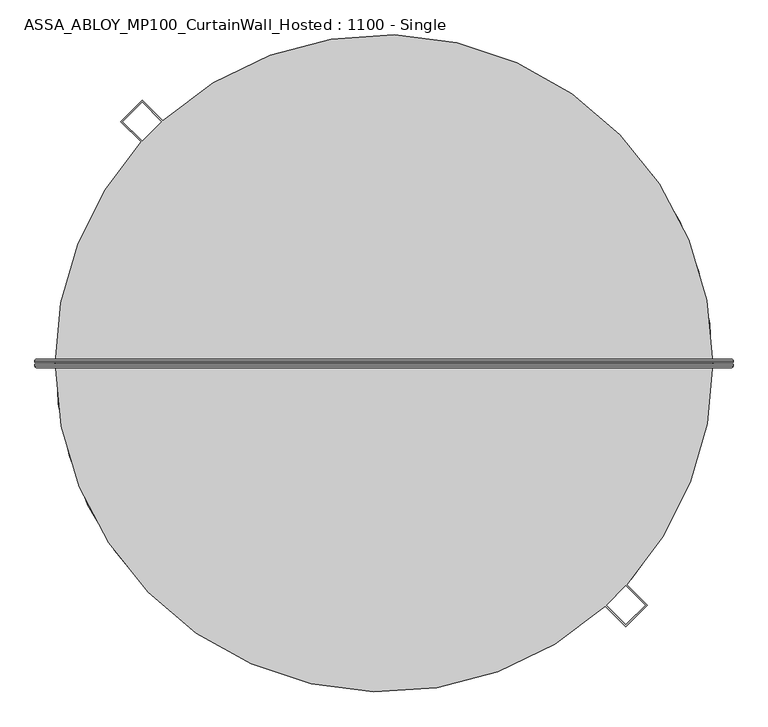
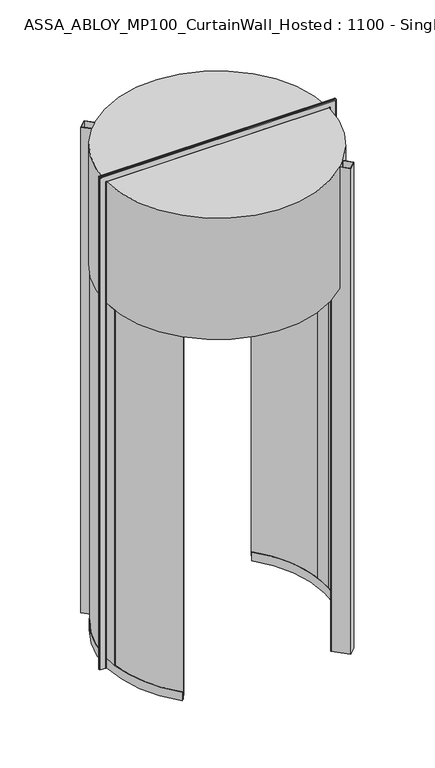
"""IFC4 building model written with IfcOpenShell, lengths in millimetres: plate geometry, ASSA_ABLOY_MP100_CurtainWall_Hosted : 1100 - Single."""

from ifc_helpers import new_model, si_unit, point, frame, origin, origin_2d, place, context, project, spatial, polyline, circle_curve, ellipse_curve, trimmed, segment, composite_curve, outline, extrude, source, transform, mapped, element, save
from ifc_brep_helpers import plane_surface, cylinder_surface, revolved_surface, advanced_brep


def assa_abloy_mp100_curtainwall_hosted_1100_single_5e79cee8(model_context):
    return source(origin(), model_context, "Body", "SolidModel", [
        advanced_brep(
        [(917.5980762, 11.0, 0.0), (921.5980762, 7.0, 0.0), (921.5980762, 3.0, 0.0), (919.5980762, 3.0, 0.0), (919.5980762, 7.0, 0.0), (917.5980762, 9.0, 0.0), (875.5980762, 9.0, 0.0), (873.5980762, 7.0, 0.0), (873.5980762, 3.0, 0.0), (871.5980762, 3.0, 0.0), (871.5980762, 7.0, 0.0), (875.5980762, 11.0, 0.0), (917.5980762, 11.0, 4050.9980762), (921.5980762, 7.0, 4054.9980762), (921.5980762, 3.0, 4054.9980762), (871.5980762, 7.0, 4004.9980762), (875.5980762, 11.0, 4008.9980762), (-875.5980762, 11.0, 4008.9980762), (-875.5980762, 11.0, 0.0), (-917.5980762, 11.0, 0.0), (-917.5980762, 11.0, 4050.9980762), (-921.5980762, 7.0, 4054.9980762), (-921.5980762, 3.0, 4054.9980762), (-871.5980762, 7.0, 4004.9980762), (-871.5980762, 7.0, 0.0), (-871.5980762, 3.0, 0.0), (-873.5980762, 3.0, 0.0), (-873.5980762, 7.0, 0.0), (-875.5980762, 9.0, 0.0), (-917.5980762, 9.0, 0.0), (-919.5980762, 7.0, 0.0), (-919.5980762, 3.0, 0.0), (-921.5980762, 3.0, 0.0), (-921.5980762, 7.0, 0.0), (-919.5980762, 3.0, 4052.9980762), (919.5980762, 3.0, 4052.9980762), (919.5980762, 7.0, 4052.9980762), (917.5980762, 9.0, 4050.9980762), (-917.5980762, 9.0, 4050.9980762), (-875.5980762, 9.0, 4008.9980762), (875.5980762, 9.0, 4008.9980762), (873.5980762, 7.0, 4006.9980762), (873.5980762, 3.0, 4006.9980762), (-873.5980762, 3.0, 4006.9980762), (-871.5980762, 3.0, 4004.9980762), (871.5980762, 3.0, 4004.9980762), (-919.5980762, 7.0, 4052.9980762), (-873.5980762, 7.0, 4006.9980762)],
        [
            (0, 1, circle_curve(frame((917.5980762, 7.0, 0.0), z_axis=(0.0, 0.0, -1.0), x_axis=(-1.0, 0.0, 0.0)), 4.0)),
            (1, 2),
            (2, 3),
            (3, 4),
            (4, 5, circle_curve(frame((917.5980762, 7.0, 0.0), z_axis=(0.0, 0.0, 1.0), x_axis=(-1.0, 0.0, 0.0)), 2.0)),
            (5, 6),
            (6, 7, circle_curve(frame((875.5980762, 7.0, 0.0), z_axis=(0.0, 0.0, 1.0), x_axis=(-1.0, 0.0, 0.0)), 2.0)),
            (7, 8),
            (8, 9),
            (9, 10),
            (10, 11, circle_curve(frame((875.5980762, 7.0, 0.0), z_axis=(0.0, 0.0, -1.0), x_axis=(-1.0, 0.0, 0.0)), 4.0)),
            (11, 0),
            (0, 12),
            (12, 13, ellipse_curve(frame((917.5980762, 7.0, 4050.9980762), z_axis=(0.7071067811865475, 0.0, -0.7071067811865475), x_axis=(-0.7071067811865474, 0.0, -0.7071067811865476)), 5.6568542, 4.0)),
            (13, 1),
            (13, 14),
            (14, 2),
            (10, 15),
            (15, 16, ellipse_curve(frame((875.5980762, 7.0, 4008.9980762), z_axis=(0.7071067811865475, 0.0, -0.7071067811865475), x_axis=(-0.7071067811865474, 0.0, -0.7071067811865476)), 5.6568542, 4.0)),
            (16, 11),
            (16, 17),
            (17, 18),
            (18, 19),
            (19, 20),
            (20, 12),
            (20, 21, ellipse_curve(frame((-917.5980762, 7.0, 4050.9980762), z_axis=(0.7071067811865475, 0.0, 0.7071067811865475), x_axis=(0.7071067811865476, 0.0, -0.7071067811865474)), 5.6568542, 4.0)),
            (21, 13),
            (21, 22),
            (22, 14),
            (15, 23),
            (23, 17, ellipse_curve(frame((-875.5980762, 7.0, 4008.9980762), z_axis=(0.7071067811865475, 0.0, 0.7071067811865475), x_axis=(0.7071067811865476, 0.0, -0.7071067811865474)), 5.6568542, 4.0)),
            (18, 24, circle_curve(frame((-875.5980762, 7.0, 0.0), z_axis=(0.0, 0.0, -1.0), x_axis=(1.0, 0.0, 0.0)), 4.0)),
            (24, 25),
            (25, 26),
            (26, 27),
            (27, 28, circle_curve(frame((-875.5980762, 7.0, 0.0), z_axis=(0.0, 0.0, 1.0), x_axis=(1.0, 0.0, 0.0)), 2.0)),
            (28, 29),
            (29, 30, circle_curve(frame((-917.5980762, 7.0, 0.0), z_axis=(0.0, 0.0, 1.0), x_axis=(1.0, 0.0, 0.0)), 2.0)),
            (30, 31),
            (31, 32),
            (32, 33),
            (33, 19, circle_curve(frame((-917.5980762, 7.0, 0.0), z_axis=(0.0, 0.0, -1.0), x_axis=(1.0, 0.0, 0.0)), 4.0)),
            (33, 21),
            (32, 22),
            (23, 24),
            (31, 34),
            (34, 35),
            (35, 3),
            (35, 36),
            (36, 4),
            (36, 37, ellipse_curve(frame((917.5980762, 7.0, 4050.9980762), z_axis=(-0.7071067811865475, 0.0, 0.7071067811865475), x_axis=(0.7071067811865474, 0.0, 0.7071067811865476)), 2.8284271, 2.0)),
            (37, 5),
            (37, 38),
            (38, 29),
            (28, 39),
            (39, 40),
            (40, 6),
            (40, 41, ellipse_curve(frame((875.5980762, 7.0, 4008.9980762), z_axis=(-0.7071067811865475, 0.0, 0.7071067811865475), x_axis=(0.7071067811865474, 0.0, 0.7071067811865476)), 2.8284271, 2.0)),
            (41, 7),
            (41, 42),
            (42, 8),
            (42, 43),
            (43, 26),
            (25, 44),
            (44, 45),
            (45, 9),
            (45, 15),
            (34, 46),
            (46, 36),
            (46, 38, ellipse_curve(frame((-917.5980762, 7.0, 4050.9980762), z_axis=(-0.7071067811865475, 0.0, -0.7071067811865475), x_axis=(-0.7071067811865476, 0.0, 0.7071067811865474)), 2.8284271, 2.0)),
            (39, 47, ellipse_curve(frame((-875.5980762, 7.0, 4008.9980762), z_axis=(-0.7071067811865475, 0.0, -0.7071067811865475), x_axis=(-0.7071067811865476, 0.0, 0.7071067811865474)), 2.8284271, 2.0)),
            (47, 41),
            (47, 43),
            (44, 23),
            (30, 46),
            (27, 47),
        ],
        [
            plane_surface(frame((871.6, 0.0, 0.0), z_axis=(0.0, 0.0, -1.0), x_axis=(0.0, -1.0, 0.0))),
            cylinder_surface(frame((917.5980762, 7.0, 0.0), z_axis=(0.0, 0.0, -1.0), x_axis=(-1.0, 0.0, 0.0)), 4.0),
            plane_surface(frame((921.5980762, 7.0, 0.0), z_axis=(1.0, 0.0, 0.0), x_axis=(0.0, 0.0, 1.0))),
            cylinder_surface(frame((875.5980762, 7.0, 0.0), z_axis=(0.0, 0.0, -1.0), x_axis=(-1.0, 0.0, 0.0)), 4.0),
            plane_surface(frame((875.5980762, 11.0, 0.0), z_axis=(0.0, 1.0, 0.0), x_axis=(0.0, 0.0, 1.0))),
            cylinder_surface(frame((871.6, 7.0, 4050.9980762), z_axis=(1.0, 0.0, 0.0), x_axis=(0.0, 0.0, -1.0)), 4.0),
            plane_surface(frame((921.5980762, 7.0, 4054.9980762), z_axis=(0.0, 0.0, 1.0), x_axis=(-1.0, 0.0, 0.0))),
            cylinder_surface(frame((871.6, 7.0, 4008.9980762), z_axis=(1.0, 0.0, 0.0), x_axis=(0.0, 0.0, -1.0)), 4.0),
            plane_surface(frame((-871.6, 0.0, 0.0), z_axis=(0.0, 0.0, -1.0), x_axis=(0.0, -1.0, 0.0))),
            cylinder_surface(frame((-917.5980762, 7.0, 4005.0), z_axis=(0.0, 0.0, 1.0), x_axis=(1.0, 0.0, 0.0)), 4.0),
            plane_surface(frame((-921.5980762, 7.0, 4054.9980762), z_axis=(-1.0, 0.0, 0.0), x_axis=(0.0, 0.0, -1.0))),
            cylinder_surface(frame((-875.5980762, 7.0, 4005.0), z_axis=(0.0, 0.0, 1.0), x_axis=(1.0, 0.0, 0.0)), 4.0),
            plane_surface(frame((921.5980762, 3.0, 0.0), z_axis=(0.0, -1.0, 0.0), x_axis=(0.0, 0.0, 1.0))),
            plane_surface(frame((919.5980762, 3.0, 0.0), z_axis=(-1.0, 0.0, 0.0), x_axis=(0.0, 0.0, 1.0))),
            revolved_surface(polyline([(915.5980762, 7.0, 4052.9980762), (915.5980762, 7.0, 0.0)]), (917.5980762, 7.0, 0.0), (0.0, 0.0, 1.0)),
            plane_surface(frame((917.5980762, 9.0, 0.0), z_axis=(0.0, -1.0, 0.0), x_axis=(0.0, 0.0, 1.0))),
            revolved_surface(polyline([(873.5980762, 7.0, 4010.998076182502), (873.5980762, 7.0, 0.0)]), (875.5980762, 7.0, 0.0), (0.0, 0.0, 1.0)),
            plane_surface(frame((873.5980762, 7.0, 0.0), z_axis=(1.0, 0.0, 0.0), x_axis=(0.0, 0.0, 1.0))),
            plane_surface(frame((873.5980762, 3.0, 0.0), z_axis=(0.0, -1.0, 0.0), x_axis=(0.0, 0.0, 1.0))),
            plane_surface(frame((871.5980762, 3.0, 0.0), z_axis=(-1.0, 0.0, 0.0), x_axis=(0.0, 0.0, 1.0))),
            plane_surface(frame((919.5980762, 3.0, 4052.9980762), z_axis=(0.0, 0.0, -1.0), x_axis=(-1.0, 0.0, 0.0))),
            revolved_surface(polyline([(-919.5980762, 7.0, 4048.9980762), (919.5980762, 7.0, 4048.9980762)]), (871.6, 7.0, 4050.9980762), (-1.0, 0.0, 0.0)),
            revolved_surface(polyline([(-877.5980761825018, 7.0, 4006.9980762), (877.5980761825018, 7.0, 4006.9980762)]), (871.6, 7.0, 4008.9980762), (-1.0, 0.0, 0.0)),
            plane_surface(frame((873.5980762, 7.0, 4006.9980762), z_axis=(0.0, 0.0, 1.0), x_axis=(-1.0, 0.0, 0.0))),
            plane_surface(frame((871.5980762, 3.0, 4004.9980762), z_axis=(0.0, 0.0, -1.0), x_axis=(-1.0, 0.0, 0.0))),
            plane_surface(frame((-919.5980762, 3.0, 4052.9980762), z_axis=(1.0, 0.0, 0.0), x_axis=(0.0, 0.0, -1.0))),
            revolved_surface(polyline([(-915.5980762, 7.0, 0.0), (-915.5980762, 7.0, 4052.9980762)]), (-917.5980762, 7.0, 4005.0), (0.0, 0.0, -1.0)),
            revolved_surface(polyline([(-873.5980762, 7.0, 0.0), (-873.5980762, 7.0, 4010.998076182502)]), (-875.5980762, 7.0, 4005.0), (0.0, 0.0, -1.0)),
            plane_surface(frame((-873.5980762, 7.0, 4006.9980762), z_axis=(-1.0, 0.0, 0.0), x_axis=(0.0, 0.0, -1.0))),
            plane_surface(frame((-871.5980762, 3.0, 4004.9980762), z_axis=(1.0, 0.0, 0.0), x_axis=(0.0, 0.0, -1.0))),
        ],
        [
            (0, [[1, 2, 3, 4, 5, 6, 7, 8, 9, 10, 11, 12]]),
            (1, [[-1, 13, 14, 15]]),
            (2, [[-2, -15, 16, 17]]),
            (3, [[-11, 18, 19, 20]]),
            (4, [[-12, -20, 21, 22, 23, 24, 25, -13]]),
            (5, [[-14, -25, 26, 27]]),
            (6, [[-16, -27, 28, 29]]),
            (7, [[-19, 30, 31, -21]]),
            (8, [[-23, 32, 33, 34, 35, 36, 37, 38, 39, 40, 41, 42]]),
            (9, [[-26, -24, -42, 43]]),
            (10, [[-28, -43, -41, 44]]),
            (11, [[-31, 45, -32, -22]]),
            (12, [[-3, -17, -29, -44, -40, 46, 47, 48]]),
            (13, [[-4, -48, 49, 50]]),
            (14, [[-5, -50, 51, 52]]),
            (15, [[-6, -52, 53, 54, -37, 55, 56, 57]]),
            (16, [[-7, -57, 58, 59]]),
            (17, [[-8, -59, 60, 61]]),
            (18, [[-9, -61, 62, 63, -34, 64, 65, 66]]),
            (19, [[-10, -66, 67, -18]]),
            (20, [[-49, -47, 68, 69]]),
            (21, [[-51, -69, 70, -53]]),
            (22, [[-58, -56, 71, 72]]),
            (23, [[-60, -72, 73, -62]]),
            (24, [[-67, -65, 74, -30]]),
            (25, [[-68, -46, -39, 75]]),
            (26, [[-70, -75, -38, -54]]),
            (27, [[-71, -55, -36, 76]]),
            (28, [[-73, -76, -35, -63]]),
            (29, [[-74, -64, -33, -45]]),
        ],
    ),
        advanced_brep(
        [(871.5980762, -3.0, 0.0), (873.5980762, -3.0, 0.0), (873.5980762, -7.0, 0.0), (875.5980762, -9.0, 0.0), (917.5980762, -9.0, 0.0), (919.5980762, -7.0, 0.0), (919.5980762, -3.0, 0.0), (921.5980762, -3.0, 0.0), (921.5980762, -7.0, 0.0), (917.5980762, -11.0, 0.0), (875.5980762, -11.0, 0.0), (871.5980762, -7.0, 0.0), (921.5980762, -7.0, 4054.9980762), (917.5980762, -11.0, 4050.9980762), (-917.5980762, -11.0, 4050.9980762), (-917.5980762, -11.0, 0.0), (-875.5980762, -11.0, 0.0), (-875.5980762, -11.0, 4008.9980762), (875.5980762, -11.0, 4008.9980762), (871.5980762, -7.0, 4004.9980762), (871.5980762, -3.0, 4004.9980762), (-921.5980762, -7.0, 4054.9980762), (-871.5980762, -7.0, 4004.9980762), (-871.5980762, -3.0, 4004.9980762), (-871.5980762, -3.0, 0.0), (-871.5980762, -7.0, 0.0), (-921.5980762, -7.0, 0.0), (-921.5980762, -3.0, 0.0), (-919.5980762, -3.0, 0.0), (-919.5980762, -7.0, 0.0), (-917.5980762, -9.0, 0.0), (-875.5980762, -9.0, 0.0), (-873.5980762, -7.0, 0.0), (-873.5980762, -3.0, 0.0), (-873.5980762, -3.0, 4006.9980762), (873.5980762, -3.0, 4006.9980762), (873.5980762, -7.0, 4006.9980762), (875.5980762, -9.0, 4008.9980762), (-875.5980762, -9.0, 4008.9980762), (-917.5980762, -9.0, 4050.9980762), (917.5980762, -9.0, 4050.9980762), (919.5980762, -7.0, 4052.9980762), (919.5980762, -3.0, 4052.9980762), (-919.5980762, -3.0, 4052.9980762), (-921.5980762, -3.0, 4054.9980762), (921.5980762, -3.0, 4054.9980762), (-873.5980762, -7.0, 4006.9980762), (-919.5980762, -7.0, 4052.9980762)],
        [
            (0, 1),
            (1, 2),
            (2, 3, circle_curve(frame((875.5980762, -7.0, 0.0), z_axis=(0.0, 0.0, 1.0), x_axis=(-1.0, 0.0, 0.0)), 2.0)),
            (3, 4),
            (4, 5, circle_curve(frame((917.5980762, -7.0, 0.0), z_axis=(0.0, 0.0, 1.0), x_axis=(-1.0, 0.0, 0.0)), 2.0)),
            (5, 6),
            (6, 7),
            (7, 8),
            (8, 9, circle_curve(frame((917.5980762, -7.0, 0.0), z_axis=(0.0, 0.0, -1.0), x_axis=(-1.0, 0.0, 0.0)), 4.0)),
            (9, 10),
            (10, 11, circle_curve(frame((875.5980762, -7.0, 0.0), z_axis=(0.0, 0.0, -1.0), x_axis=(-1.0, 0.0, 0.0)), 4.0)),
            (11, 0),
            (8, 12),
            (12, 13, ellipse_curve(frame((917.5980762, -7.0, 4050.9980762), z_axis=(0.7071067811865475, 0.0, -0.7071067811865475), x_axis=(-0.7071067811865474, 0.0, -0.7071067811865476)), 5.6568542, 4.0)),
            (13, 9),
            (13, 14),
            (14, 15),
            (15, 16),
            (16, 17),
            (17, 18),
            (18, 10),
            (18, 19, ellipse_curve(frame((875.5980762, -7.0, 4008.9980762), z_axis=(0.7071067811865475, 0.0, -0.7071067811865475), x_axis=(-0.7071067811865474, 0.0, -0.7071067811865476)), 5.6568542, 4.0)),
            (19, 11),
            (19, 20),
            (20, 0),
            (12, 21),
            (21, 14, ellipse_curve(frame((-917.5980762, -7.0, 4050.9980762), z_axis=(0.7071067811865475, 0.0, 0.7071067811865475), x_axis=(0.7071067811865476, 0.0, -0.7071067811865474)), 5.6568542, 4.0)),
            (17, 22, ellipse_curve(frame((-875.5980762, -7.0, 4008.9980762), z_axis=(0.7071067811865475, 0.0, 0.7071067811865475), x_axis=(0.7071067811865476, 0.0, -0.7071067811865474)), 5.6568542, 4.0)),
            (22, 19),
            (22, 23),
            (23, 20),
            (24, 25),
            (25, 16, circle_curve(frame((-875.5980762, -7.0, 0.0), z_axis=(0.0, 0.0, -1.0), x_axis=(1.0, 0.0, 0.0)), 4.0)),
            (15, 26, circle_curve(frame((-917.5980762, -7.0, 0.0), z_axis=(0.0, 0.0, -1.0), x_axis=(1.0, 0.0, 0.0)), 4.0)),
            (26, 27),
            (27, 28),
            (28, 29),
            (29, 30, circle_curve(frame((-917.5980762, -7.0, 0.0), z_axis=(0.0, 0.0, 1.0), x_axis=(1.0, 0.0, 0.0)), 2.0)),
            (30, 31),
            (31, 32, circle_curve(frame((-875.5980762, -7.0, 0.0), z_axis=(0.0, 0.0, 1.0), x_axis=(1.0, 0.0, 0.0)), 2.0)),
            (32, 33),
            (33, 24),
            (21, 26),
            (25, 22),
            (24, 23),
            (33, 34),
            (34, 35),
            (35, 1),
            (35, 36),
            (36, 2),
            (36, 37, ellipse_curve(frame((875.5980762, -7.0, 4008.9980762), z_axis=(-0.7071067811865475, 0.0, 0.7071067811865475), x_axis=(0.7071067811865474, 0.0, 0.7071067811865476)), 2.8284271, 2.0)),
            (37, 3),
            (37, 38),
            (38, 31),
            (30, 39),
            (39, 40),
            (40, 4),
            (40, 41, ellipse_curve(frame((917.5980762, -7.0, 4050.9980762), z_axis=(-0.7071067811865475, 0.0, 0.7071067811865475), x_axis=(0.7071067811865474, 0.0, 0.7071067811865476)), 2.8284271, 2.0)),
            (41, 5),
            (41, 42),
            (42, 6),
            (42, 43),
            (43, 28),
            (27, 44),
            (44, 45),
            (45, 7),
            (45, 12),
            (34, 46),
            (46, 36),
            (46, 38, ellipse_curve(frame((-875.5980762, -7.0, 4008.9980762), z_axis=(-0.7071067811865475, 0.0, -0.7071067811865475), x_axis=(-0.7071067811865476, 0.0, 0.7071067811865474)), 2.8284271, 2.0)),
            (39, 47, ellipse_curve(frame((-917.5980762, -7.0, 4050.9980762), z_axis=(-0.7071067811865475, 0.0, -0.7071067811865475), x_axis=(-0.7071067811865476, 0.0, 0.7071067811865474)), 2.8284271, 2.0)),
            (47, 41),
            (47, 43),
            (44, 21),
            (32, 46),
            (29, 47),
        ],
        [
            plane_surface(frame((871.6, 0.0, 0.0), z_axis=(0.0, 0.0, -1.0), x_axis=(0.0, -1.0, 0.0))),
            cylinder_surface(frame((917.5980762, -7.0, 0.0), z_axis=(0.0, 0.0, -1.0), x_axis=(-1.0, 0.0, 0.0)), 4.0),
            plane_surface(frame((917.5980762, -11.0, 0.0), z_axis=(0.0, -1.0, 0.0), x_axis=(0.0, 0.0, 1.0))),
            cylinder_surface(frame((875.5980762, -7.0, 0.0), z_axis=(0.0, 0.0, -1.0), x_axis=(-1.0, 0.0, 0.0)), 4.0),
            plane_surface(frame((871.5980762, -7.0, 0.0), z_axis=(-1.0, 0.0, 0.0), x_axis=(0.0, 0.0, 1.0))),
            cylinder_surface(frame((871.6, -7.0, 4050.9980762), z_axis=(1.0, 0.0, 0.0), x_axis=(0.0, 0.0, -1.0)), 4.0),
            cylinder_surface(frame((871.6, -7.0, 4008.9980762), z_axis=(1.0, 0.0, 0.0), x_axis=(0.0, 0.0, -1.0)), 4.0),
            plane_surface(frame((871.5980762, -7.0, 4004.9980762), z_axis=(0.0, 0.0, -1.0), x_axis=(-1.0, 0.0, 0.0))),
            plane_surface(frame((-871.6, 0.0, 0.0), z_axis=(0.0, 0.0, -1.0), x_axis=(0.0, -1.0, 0.0))),
            cylinder_surface(frame((-917.5980762, -7.0, 4005.0), z_axis=(0.0, 0.0, 1.0), x_axis=(1.0, 0.0, 0.0)), 4.0),
            cylinder_surface(frame((-875.5980762, -7.0, 4005.0), z_axis=(0.0, 0.0, 1.0), x_axis=(1.0, 0.0, 0.0)), 4.0),
            plane_surface(frame((-871.5980762, -7.0, 4004.9980762), z_axis=(1.0, 0.0, 0.0), x_axis=(0.0, 0.0, -1.0))),
            plane_surface(frame((871.5980762, -3.0, 0.0), z_axis=(0.0, 1.0, 0.0), x_axis=(0.0, 0.0, 1.0))),
            plane_surface(frame((873.5980762, -3.0, 0.0), z_axis=(1.0, 0.0, 0.0), x_axis=(0.0, 0.0, 1.0))),
            revolved_surface(polyline([(873.5980762, -7.0, 4010.998076182502), (873.5980762, -7.0, 0.0)]), (875.5980762, -7.0, 0.0), (0.0, 0.0, 1.0)),
            plane_surface(frame((875.5980762, -9.0, 0.0), z_axis=(0.0, 1.0, 0.0), x_axis=(0.0, 0.0, 1.0))),
            revolved_surface(polyline([(915.5980762, -7.0, 4052.9980762), (915.5980762, -7.0, 0.0)]), (917.5980762, -7.0, 0.0), (0.0, 0.0, 1.0)),
            plane_surface(frame((919.5980762, -7.0, 0.0), z_axis=(-1.0, 0.0, 0.0), x_axis=(0.0, 0.0, 1.0))),
            plane_surface(frame((919.5980762, -3.0, 0.0), z_axis=(0.0, 1.0, 0.0), x_axis=(0.0, 0.0, 1.0))),
            plane_surface(frame((921.5980762, -3.0, 0.0), z_axis=(1.0, 0.0, 0.0), x_axis=(0.0, 0.0, 1.0))),
            plane_surface(frame((873.5980762, -3.0, 4006.9980762), z_axis=(0.0, 0.0, 1.0), x_axis=(-1.0, 0.0, 0.0))),
            revolved_surface(polyline([(-877.5980761825018, -7.0, 4006.9980762), (877.5980761825018, -7.0, 4006.9980762)]), (871.6, -7.0, 4008.9980762), (-1.0, 0.0, 0.0)),
            revolved_surface(polyline([(-919.5980762, -7.0, 4048.9980762), (919.5980762, -7.0, 4048.9980762)]), (871.6, -7.0, 4050.9980762), (-1.0, 0.0, 0.0)),
            plane_surface(frame((919.5980762, -7.0, 4052.9980762), z_axis=(0.0, 0.0, -1.0), x_axis=(-1.0, 0.0, 0.0))),
            plane_surface(frame((921.5980762, -3.0, 4054.9980762), z_axis=(0.0, 0.0, 1.0), x_axis=(-1.0, 0.0, 0.0))),
            plane_surface(frame((-873.5980762, -3.0, 4006.9980762), z_axis=(-1.0, 0.0, 0.0), x_axis=(0.0, 0.0, -1.0))),
            revolved_surface(polyline([(-873.5980762, -7.0, 0.0), (-873.5980762, -7.0, 4010.998076182502)]), (-875.5980762, -7.0, 4005.0), (0.0, 0.0, -1.0)),
            revolved_surface(polyline([(-915.5980762, -7.0, 0.0), (-915.5980762, -7.0, 4052.9980762)]), (-917.5980762, -7.0, 4005.0), (0.0, 0.0, -1.0)),
            plane_surface(frame((-919.5980762, -7.0, 4052.9980762), z_axis=(1.0, 0.0, 0.0), x_axis=(0.0, 0.0, -1.0))),
            plane_surface(frame((-921.5980762, -3.0, 4054.9980762), z_axis=(-1.0, 0.0, 0.0), x_axis=(0.0, 0.0, -1.0))),
        ],
        [
            (0, [[1, 2, 3, 4, 5, 6, 7, 8, 9, 10, 11, 12]]),
            (1, [[-9, 13, 14, 15]]),
            (2, [[-10, -15, 16, 17, 18, 19, 20, 21]]),
            (3, [[-11, -21, 22, 23]]),
            (4, [[-12, -23, 24, 25]]),
            (5, [[-14, 26, 27, -16]]),
            (6, [[-22, -20, 28, 29]]),
            (7, [[-24, -29, 30, 31]]),
            (8, [[32, 33, -18, 34, 35, 36, 37, 38, 39, 40, 41, 42]]),
            (9, [[-27, 43, -34, -17]]),
            (10, [[-28, -19, -33, 44]]),
            (11, [[-30, -44, -32, 45]]),
            (12, [[-1, -25, -31, -45, -42, 46, 47, 48]]),
            (13, [[-2, -48, 49, 50]]),
            (14, [[-3, -50, 51, 52]]),
            (15, [[-4, -52, 53, 54, -39, 55, 56, 57]]),
            (16, [[-5, -57, 58, 59]]),
            (17, [[-6, -59, 60, 61]]),
            (18, [[-7, -61, 62, 63, -36, 64, 65, 66]]),
            (19, [[-8, -66, 67, -13]]),
            (20, [[-49, -47, 68, 69]]),
            (21, [[-51, -69, 70, -53]]),
            (22, [[-58, -56, 71, 72]]),
            (23, [[-60, -72, 73, -62]]),
            (24, [[-67, -65, 74, -26]]),
            (25, [[-68, -46, -41, 75]]),
            (26, [[-70, -75, -40, -54]]),
            (27, [[-71, -55, -38, 76]]),
            (28, [[-73, -76, -37, -63]]),
            (29, [[-74, -64, -35, -43]]),
        ],
    ),
        advanced_brep(
        [(-607.9102904, -588.4264452, 73.0), (-610.0658732, -590.5129405, 73.0), (-610.0658732, -590.5129405, 39.0), (-620.1252598, -600.2499185, 39.0), (-620.1252598, -600.2499185, 73.0), (-622.2808427, -602.3364137, 73.0), (-622.2808427, -602.3364137, 0.0), (-620.1252598, -600.2499185, 0.0), (-620.1252598, -600.2499185, 24.0), (-610.0658732, -590.5129405, 24.0), (-610.0658732, -590.5129405, 0.0), (-607.9102904, -588.4264452, 0.0), (-637.451694, 556.2876417, 73.0), (-637.451694, 556.2876417, 0.0), (-639.7120274, 558.2601763, 0.0), (-639.7120274, 558.2601763, 24.0), (-650.26025, 567.4653379, 24.0), (-650.26025, 567.4653379, 0.0), (-652.5205834, 569.4378726, 0.0), (-652.5205834, 569.4378726, 73.0), (-650.26025, 567.4653379, 73.0), (-650.26025, 567.4653379, 39.0), (-639.7120274, 558.2601763, 39.0), (-639.7120274, 558.2601763, 73.0), (-839.7525108, -103.035543, 73.0), (-842.7301806, -103.4008957, 73.0), (-848.5719004, 28.4891608, 73.0), (-845.5735897, 28.3884983, 73.0), (-862.564019, 28.9588613, 73.0), (-856.62598, -105.1058175, 73.0), (-859.6036498, -105.4711701, 73.0), (-865.5623297, 29.0595237, 73.0), (-865.5623297, 29.0595237, 3000.0), (-859.6036498, -105.4711701, 3000.0), (-856.62598, -105.1058175, 3000.0), (-862.564019, 28.9588613, 3000.0), (-845.5735897, 28.3884983, 3000.0), (-848.5719004, 28.4891608, 3000.0), (-842.7301806, -103.4008957, 3000.0), (-839.7525108, -103.035543, 3000.0)],
        [
            (0, 1),
            (1, 2),
            (2, 3),
            (3, 4),
            (4, 5),
            (5, 6),
            (6, 7),
            (7, 8),
            (8, 9),
            (9, 10),
            (10, 11),
            (11, 0),
            (12, 13),
            (13, 14),
            (14, 15),
            (15, 16),
            (16, 17),
            (17, 18),
            (18, 19),
            (19, 20),
            (20, 21),
            (21, 22),
            (22, 23),
            (23, 12),
            (0, 24, circle_curve(frame((0.0, 0.0, 73.0), z_axis=(0.0, 0.0, -1.0), x_axis=(-0.7185276169853758, -0.6954984282004648, 0.0)), 846.05)),
            (24, 25),
            (25, 1, circle_curve(frame((0.0, 0.0, 73.0), z_axis=(0.0, 0.0, 1.0), x_axis=(-0.7185276169853758, -0.6954984282004648, 0.0)), 849.05)),
            (23, 26, circle_curve(frame((0.0, 0.0, 73.0), z_axis=(0.0, 0.0, 1.0), x_axis=(-0.7185276169853758, -0.6954984282004648, 0.0)), 849.05)),
            (26, 27),
            (27, 12, circle_curve(frame((0.0, 0.0, 73.0), z_axis=(0.0, 0.0, -1.0), x_axis=(-0.7185276169853758, -0.6954984282004648, 0.0)), 846.05)),
            (25, 26, circle_curve(frame((0.0, 0.0, 73.0), z_axis=(0.0, 0.0, -1.0), x_axis=(-0.7185276169853758, -0.6954984282004648, 0.0)), 849.05)),
            (22, 2, circle_curve(frame((0.0, 0.0, 39.0), z_axis=(0.0, 0.0, 1.0), x_axis=(-0.7185276169853758, -0.6954984282004648, 0.0)), 849.05)),
            (21, 3, circle_curve(frame((0.0, 0.0, 39.0), z_axis=(0.0, 0.0, 1.0), x_axis=(-0.7185276169853758, -0.6954984282004648, 0.0)), 863.05)),
            (20, 28, circle_curve(frame((0.0, 0.0, 73.0), z_axis=(0.0, 0.0, 1.0), x_axis=(-0.7185276169853758, -0.6954984282004648, 0.0)), 863.05)),
            (28, 29, circle_curve(frame((0.0, 0.0, 73.0), z_axis=(0.0, 0.0, 1.0), x_axis=(-0.7185276169853758, -0.6954984282004648, 0.0)), 863.05)),
            (29, 4, circle_curve(frame((0.0, 0.0, 73.0), z_axis=(0.0, 0.0, 1.0), x_axis=(-0.7185276169853758, -0.6954984282004648, 0.0)), 863.05)),
            (29, 30),
            (30, 5, circle_curve(frame((0.0, 0.0, 73.0), z_axis=(0.0, 0.0, 1.0), x_axis=(-0.7185276169853758, -0.6954984282004648, 0.0)), 866.05)),
            (19, 31, circle_curve(frame((0.0, 0.0, 73.0), z_axis=(0.0, 0.0, 1.0), x_axis=(-0.7185276169853758, -0.6954984282004648, 0.0)), 866.05)),
            (31, 28),
            (30, 31, circle_curve(frame((0.0, 0.0, 73.0), z_axis=(0.0, 0.0, -1.0), x_axis=(-0.7185276169853758, -0.6954984282004648, 0.0)), 866.05)),
            (18, 6, circle_curve(frame((0.0, 0.0, 0.0), z_axis=(0.0, 0.0, 1.0), x_axis=(-0.7185276169853758, -0.6954984282004648, 0.0)), 866.05)),
            (17, 7, circle_curve(frame((0.0, 0.0, 0.0), z_axis=(0.0, 0.0, 1.0), x_axis=(-0.7185276169853758, -0.6954984282004648, 0.0)), 863.05)),
            (16, 8, circle_curve(frame((0.0, 0.0, 24.0), z_axis=(0.0, 0.0, 1.0), x_axis=(-0.7185276169853758, -0.6954984282004648, 0.0)), 863.05)),
            (15, 9, circle_curve(frame((0.0, 0.0, 24.0), z_axis=(0.0, 0.0, 1.0), x_axis=(-0.7185276169853758, -0.6954984282004648, 0.0)), 849.05)),
            (14, 10, circle_curve(frame((0.0, 0.0, 0.0), z_axis=(0.0, 0.0, 1.0), x_axis=(-0.7185276169853758, -0.6954984282004648, 0.0)), 849.05)),
            (13, 11, circle_curve(frame((0.0, 0.0, 0.0), z_axis=(0.0, 0.0, 1.0), x_axis=(-0.7185276169853758, -0.6954984282004648, 0.0)), 846.05)),
            (27, 24, circle_curve(frame((0.0, 0.0, 73.0), z_axis=(0.0, 0.0, 1.0), x_axis=(-0.7185276169853758, -0.6954984282004648, 0.0)), 846.05)),
            (32, 33, circle_curve(frame((0.0, 0.0, 3000.0), z_axis=(0.0, 0.0, 1.0), x_axis=(0.7071067811865459, -0.7071067811865491, 0.0)), 866.05)),
            (33, 34),
            (34, 35, circle_curve(frame((0.0, 0.0, 3000.0), z_axis=(0.0, 0.0, -1.0), x_axis=(0.7071067811865459, -0.7071067811865491, 0.0)), 863.05)),
            (35, 32),
            (32, 31),
            (30, 33),
            (29, 34),
            (28, 35),
            (36, 37),
            (37, 38, circle_curve(frame((0.0, 0.0, 3000.0), z_axis=(0.0, 0.0, 1.0), x_axis=(0.7071067811865459, -0.7071067811865492, 0.0)), 849.05)),
            (38, 39),
            (39, 36, circle_curve(frame((0.0, 0.0, 3000.0), z_axis=(0.0, 0.0, -1.0), x_axis=(0.7071067811865459, -0.7071067811865492, 0.0)), 846.05)),
            (36, 27),
            (26, 37),
            (25, 38),
            (24, 39),
        ],
        [
            plane_surface(frame((-615.0955665, -595.3814295, 0.0), z_axis=(0.6954984282004647, -0.7185276169853758, 0.0), x_axis=(0.0, 0.0, 1.0))),
            plane_surface(frame((-644.9861387, 562.8627571, 0.0), z_axis=(0.6575115438820531, 0.7534444701912936, 0.0), x_axis=(0.0, 0.0, 1.0))),
            plane_surface(frame((0.0, 0.0, 73.0), z_axis=(0.0, 0.0, 1.0), x_axis=(-0.7185276169853758, -0.6954984282004648, 0.0))),
            cylinder_surface(frame((0.0, 0.0, 0.0), z_axis=(0.0, 0.0, -1.0), x_axis=(-0.7185276169853758, -0.6954984282004648, 0.0)), 849.05),
            plane_surface(frame((0.0, 0.0, 39.0), z_axis=(0.0, 0.0, 1.0), x_axis=(-0.7185276169853758, -0.6954984282004648, 0.0))),
            revolved_surface(polyline([(-620.1252598392285, -600.2499184584111, 39.0), (-620.1252598392285, -600.2499184584111, 73.0)]), (0.0, 0.0, 0.0), (0.0, 0.0, -1.0)),
            cylinder_surface(frame((0.0, 0.0, 0.0), z_axis=(0.0, 0.0, -1.0), x_axis=(-0.7185276169853758, -0.6954984282004648, 0.0)), 866.05),
            plane_surface(frame((0.0, 0.0, 0.0), z_axis=(0.0, 0.0, -1.0), x_axis=(-0.7185276169853758, -0.6954984282004648, 0.0))),
            revolved_surface(polyline([(-620.1252598392285, -600.2499184584111, 0.0), (-620.1252598392285, -600.2499184584111, 24.0)]), (0.0, 0.0, 0.0), (0.0, 0.0, -1.0)),
            plane_surface(frame((0.0, 0.0, 24.0), z_axis=(0.0, 0.0, -1.0), x_axis=(-0.7185276169853758, -0.6954984282004648, 0.0))),
            revolved_surface(polyline([(-607.9102903504772, -588.4264451790032, 0.0), (-607.9102903504772, -588.4264451790032, 73.0)]), (0.0, 0.0, 0.0), (0.0, 0.0, -1.0)),
            plane_surface(frame((612.3898278, -612.3898278, 3000.0), z_axis=(0.0, 0.0, 1.0000000000000002), x_axis=(0.7071067811865492, 0.7071067811865459, 0.0))),
            cylinder_surface(frame((0.0, 0.0, 73.0), z_axis=(0.0, 0.0, 1.0), x_axis=(0.7071067811865459, -0.7071067811865491, 0.0)), 866.05),
            plane_surface(frame((-859.6036498, -105.4711701, 3000.0), z_axis=(0.12178419839401228, -0.9925566024270495, 0.0), x_axis=(0.0, 0.0, -1.0))),
            revolved_surface(polyline([(610.2685075030485, -610.2685075030512, 73.0), (610.2685075030485, -610.2685075030512, 3000.0)]), (0.0, 0.0, 73.0), (0.0, 0.0, -1.0)),
            plane_surface(frame((-862.564019, 28.9588613, 3000.0), z_axis=(0.033554135143882786, 0.9994369014673944, 0.0), x_axis=(0.0, 0.0, -1.0))),
            plane_surface(frame((-845.5735897, 28.3884983, 3000.0), z_axis=(0.0, 0.0, 1.0000000000000002), x_axis=(-0.9994369000484605, 0.0335541774079422, 0.0))),
            plane_surface(frame((-845.5735897, 28.3884983, 3000.0), z_axis=(0.0335541774079422, 0.9994369000484605, 0.0), x_axis=(0.0, 0.0, -1.0))),
            cylinder_surface(frame((0.0, 0.0, 73.0), z_axis=(0.0, 0.0, 1.0000000000000002), x_axis=(0.7071067811865459, -0.7071067811865492, 0.0)), 849.05),
            plane_surface(frame((-842.7301806, -103.4008957, 3000.0), z_axis=(0.12178424015706274, -0.9925565973028273, 0.0), x_axis=(0.0, 0.0, -1.0))),
            revolved_surface(polyline([(598.2476922228772, -598.24769222288, 73.0), (598.2476922228772, -598.24769222288, 3000.000000000001)]), (0.0, 0.0, 73.0), (0.0, 0.0, -1.0000000000000002)),
        ],
        [
            (0, [[1, 2, 3, 4, 5, 6, 7, 8, 9, 10, 11, 12]]),
            (1, [[13, 14, 15, 16, 17, 18, 19, 20, 21, 22, 23, 24]]),
            (2, [[-1, 25, 26, 27]]),
            (2, [[-24, 28, 29, 30]]),
            (3, [[-2, -27, 31, -28, -23, 32]]),
            (4, [[-3, -32, -22, 33]]),
            (5, [[-4, -33, -21, 34, 35, 36]]),
            (2, [[-5, -36, 37, 38]]),
            (2, [[-20, 39, 40, -34]]),
            (6, [[-6, -38, 41, -39, -19, 42]]),
            (7, [[-7, -42, -18, 43]]),
            (8, [[-8, -43, -17, 44]]),
            (9, [[-9, -44, -16, 45]]),
            (3, [[-10, -45, -15, 46]]),
            (7, [[-11, -46, -14, 47]]),
            (10, [[-12, -47, -13, -30, 48, -25]]),
            (11, [[49, 50, 51, 52]]),
            (12, [[-49, 53, -41, 54]]),
            (13, [[-50, -54, -37, 55]]),
            (14, [[-51, -55, -35, 56]]),
            (15, [[-52, -56, -40, -53]]),
            (16, [[57, 58, 59, 60]]),
            (17, [[-57, 61, -29, 62]]),
            (18, [[-58, -62, -31, 63]]),
            (19, [[-59, -63, -26, 64]]),
            (20, [[-60, -64, -48, -61]]),
        ],
    ),
        advanced_brep(
        [(859.6022096, 105.4710885, 3000.0), (856.6245398, 105.1057357, 3000.0), (862.5625772, -28.9589072, 3000.0), (865.5608879, -29.0595698, 3000.0), (859.6022096, 105.4710885, 73.0), (856.6245398, 105.1057357, 73.0), (862.5625772, -28.9589072, 73.0), (865.5608879, -29.0595698, 73.0), (650.2618102, -567.4613609, 24.0), (650.2618102, -567.4613609, 0.0), (652.5221528, -569.433885, 0.0), (652.5221528, -569.433885, 73.0), (650.2618102, -567.4613609, 73.0), (650.2618102, -567.4613609, 39.0), (639.7135447, -558.2562485, 39.0), (639.7135447, -558.2562485, 73.0), (637.4532021, -556.2837244, 73.0), (637.4532021, -556.2837244, 0.0), (639.7135447, -558.2562485, 0.0), (639.7135447, -558.2562485, 24.0), (620.1261875, 600.2468904, 24.0), (610.0667691, 590.5099453, 24.0), (610.0667691, 590.5099453, 0.0), (607.9111794, 588.4234571, 0.0), (607.9111794, 588.4234571, 73.0), (610.0667691, 590.5099453, 73.0), (610.0667691, 590.5099453, 39.0), (620.1261875, 600.2468904, 39.0), (620.1261875, 600.2468904, 73.0), (622.2817772, 602.3333787, 73.0), (622.2817772, 602.3333787, 0.0), (620.1261875, 600.2468904, 0.0), (842.7287475, 103.400756, 73.0), (848.5704606, -28.4891483, 73.0), (845.5721499, -28.3884857, 73.0), (839.7510777, 103.0354032, 73.0), (839.7510777, 103.0354032, 3000.0), (845.5721499, -28.3884857, 3000.0), (848.5704606, -28.4891483, 3000.0), (842.7287475, 103.400756, 3000.0)],
        [
            (0, 1),
            (1, 2, circle_curve(frame((0.0, 0.0, 3000.0), z_axis=(0.0, 0.0, -1.0), x_axis=(-0.7071067811865481, -0.7071067811865469, 0.0)), 863.0485606)),
            (2, 3),
            (3, 0, circle_curve(frame((0.0, 0.0, 3000.0), z_axis=(0.0, 0.0, 1.0), x_axis=(-0.7071067811865481, -0.7071067811865469, 0.0)), 866.0485606)),
            (0, 4),
            (4, 5),
            (5, 1),
            (5, 6, circle_curve(frame((0.0, 0.0, 73.0), z_axis=(0.0, 0.0, -1.0), x_axis=(-0.7071067811865481, -0.7071067811865469, 0.0)), 863.0485606)),
            (6, 2),
            (6, 7),
            (7, 3),
            (7, 4, circle_curve(frame((0.0, 0.0, 73.0), z_axis=(0.0, 0.0, 1.0), x_axis=(-0.7071067811865481, -0.7071067811865469, 0.0)), 866.0485606)),
            (8, 9),
            (9, 10),
            (10, 11),
            (11, 12),
            (12, 13),
            (13, 14),
            (14, 15),
            (15, 16),
            (16, 17),
            (17, 18),
            (18, 19),
            (19, 8),
            (20, 21),
            (21, 22),
            (22, 23),
            (23, 24),
            (24, 25),
            (25, 26),
            (26, 27),
            (27, 28),
            (28, 29),
            (29, 30),
            (30, 31),
            (31, 20),
            (8, 20, circle_curve(frame((0.0, 0.0, 24.0), z_axis=(0.0, 0.0, 1.0), x_axis=(0.7534475345629611, -0.6575080323927575, 0.0)), 863.0485606)),
            (31, 9, circle_curve(frame((0.0, 0.0, 0.0), z_axis=(0.0, 0.0, -1.0), x_axis=(0.7534475345629611, -0.6575080323927575, 0.0)), 863.0485606)),
            (30, 10, circle_curve(frame((0.0, 0.0, 0.0), z_axis=(0.0, 0.0, -1.0), x_axis=(0.7534475345629611, -0.6575080323927575, 0.0)), 866.0485606)),
            (29, 4, circle_curve(frame((0.0, 0.0, 73.0), z_axis=(0.0, 0.0, -1.0), x_axis=(0.7534475345629611, -0.6575080323927575, 0.0)), 866.0485606)),
            (7, 11, circle_curve(frame((0.0, 0.0, 73.0), z_axis=(0.0, 0.0, -1.0), x_axis=(0.7534475345629611, -0.6575080323927575, 0.0)), 866.0485606)),
            (6, 12, circle_curve(frame((0.0, 0.0, 73.0), z_axis=(0.0, 0.0, -1.0), x_axis=(0.7534475345629611, -0.6575080323927575, 0.0)), 863.0485606)),
            (28, 5, circle_curve(frame((0.0, 0.0, 73.0), z_axis=(0.0, 0.0, -1.0), x_axis=(0.7534475345629611, -0.6575080323927575, 0.0)), 863.0485606)),
            (27, 13, circle_curve(frame((0.0, 0.0, 39.0), z_axis=(0.0, 0.0, -1.0), x_axis=(0.7534475345629611, -0.6575080323927575, 0.0)), 863.0485606)),
            (26, 14, circle_curve(frame((0.0, 0.0, 39.0), z_axis=(0.0, 0.0, -1.0), x_axis=(0.7534475345629611, -0.6575080323927575, 0.0)), 849.0485606)),
            (25, 32, circle_curve(frame((0.0, 0.0, 73.0), z_axis=(0.0, 0.0, -1.0), x_axis=(0.7534475345629611, -0.6575080323927575, 0.0)), 849.0485606)),
            (32, 33, circle_curve(frame((0.0, 0.0, 73.0), z_axis=(0.0, 0.0, -1.0), x_axis=(0.7534475345629611, -0.6575080323927575, 0.0)), 849.0485606)),
            (33, 15, circle_curve(frame((0.0, 0.0, 73.0), z_axis=(0.0, 0.0, -1.0), x_axis=(0.7534475345629611, -0.6575080323927575, 0.0)), 849.0485606)),
            (33, 34),
            (34, 16, circle_curve(frame((0.0, 0.0, 73.0), z_axis=(0.0, 0.0, -1.0), x_axis=(0.7534475345629611, -0.6575080323927575, 0.0)), 846.0485606)),
            (24, 35, circle_curve(frame((0.0, 0.0, 73.0), z_axis=(0.0, 0.0, -1.0), x_axis=(0.7534475345629611, -0.6575080323927575, 0.0)), 846.0485606)),
            (35, 32),
            (34, 35, circle_curve(frame((0.0, 0.0, 73.0), z_axis=(0.0, 0.0, 1.0), x_axis=(0.7534475345629611, -0.6575080323927575, 0.0)), 846.0485606)),
            (23, 17, circle_curve(frame((0.0, 0.0, 0.0), z_axis=(0.0, 0.0, -1.0), x_axis=(0.7534475345629611, -0.6575080323927575, 0.0)), 846.0485606)),
            (22, 18, circle_curve(frame((0.0, 0.0, 0.0), z_axis=(0.0, 0.0, -1.0), x_axis=(0.7534475345629611, -0.6575080323927575, 0.0)), 849.0485606)),
            (21, 19, circle_curve(frame((0.0, 0.0, 24.0), z_axis=(0.0, 0.0, -1.0), x_axis=(0.7534475345629611, -0.6575080323927575, 0.0)), 849.0485606)),
            (36, 37, circle_curve(frame((0.0, 0.0, 3000.0), z_axis=(0.0, 0.0, -1.0), x_axis=(-0.707106781186548, -0.707106781186547, 0.0)), 846.0485606)),
            (37, 38),
            (38, 39, circle_curve(frame((0.0, 0.0, 3000.0), z_axis=(0.0, 0.0, 1.0), x_axis=(-0.707106781186548, -0.707106781186547, 0.0)), 849.0485606)),
            (39, 36),
            (36, 35),
            (34, 37),
            (33, 38),
            (32, 39),
        ],
        [
            plane_surface(frame((859.6022096, 105.4710885, 3000.0), z_axis=(0.0, 0.0, 1.0), x_axis=(-0.9925565940949448, -0.12178426630169857, 0.0))),
            plane_surface(frame((859.6022096, 105.4710885, 3000.0), z_axis=(-0.12178426630169857, 0.9925565940949448, 0.0), x_axis=(0.0, 0.0, -1.0))),
            revolved_surface(polyline([(-610.2674896935495, -610.2674896935484, 73.0), (-610.2674896935495, -610.2674896935484, 3000.0)]), (0.0, 0.0, 73.0), (0.0, 0.0, -1.0)),
            plane_surface(frame((862.5625772, -28.9589072, 3000.0), z_axis=(-0.0335542036738631, -0.9994368991666323, 0.0), x_axis=(0.0, 0.0, -1.0))),
            cylinder_surface(frame((0.0, 0.0, 73.0), z_axis=(0.0, 0.0, 1.0), x_axis=(-0.7071067811865481, -0.7071067811865469, 0.0)), 866.0485606),
            plane_surface(frame((644.9876774, -562.8588047, 0.0), z_axis=(-0.6575080323927576, -0.7534475345629612, 0.0), x_axis=(0.0, 0.0, 1.0))),
            plane_surface(frame((615.0964783, 595.3784179, 0.0), z_axis=(-0.6954960796328972, 0.7185298902726808, 0.0), x_axis=(0.0, 0.0, 1.0))),
            revolved_surface(polyline([(650.2618101921823, -567.4613609395075, 24.0), (650.2618101921823, -567.4613609395075, 0.0)]), (0.0, 0.0, 0.0), (0.0, 0.0, 1.0)),
            plane_surface(frame((0.0, 0.0, 0.0), z_axis=(0.0, 0.0, -1.0), x_axis=(0.7534475345629612, -0.6575080323927576, 0.0))),
            cylinder_surface(frame((0.0, 0.0, 0.0), z_axis=(0.0, 0.0, 1.0), x_axis=(0.7534475345629611, -0.6575080323927575, 0.0)), 866.0485606),
            plane_surface(frame((0.0, 0.0, 73.0), z_axis=(0.0, 0.0, 1.0), x_axis=(0.7534475345629612, -0.6575080323927576, 0.0))),
            revolved_surface(polyline([(650.2618101921823, -567.4613609395075, 73.0), (650.2618101921823, -567.4613609395075, 39.0)]), (0.0, 0.0, 0.0), (0.0, 0.0, 1.0)),
            plane_surface(frame((0.0, 0.0, 39.0), z_axis=(0.0, 0.0, 1.0), x_axis=(0.7534475345629612, -0.6575080323927576, 0.0))),
            cylinder_surface(frame((0.0, 0.0, 0.0), z_axis=(0.0, 0.0, 1.0), x_axis=(0.7534475345629611, -0.6575080323927575, 0.0)), 849.0485606),
            revolved_surface(polyline([(637.4532021046119, -556.2837243888306, 73.0), (637.4532021046119, -556.2837243888306, 0.0)]), (0.0, 0.0, 0.0), (0.0, 0.0, 1.0)),
            plane_surface(frame((0.0, 0.0, 24.0), z_axis=(0.0, 0.0, -1.0), x_axis=(0.7534475345629612, -0.6575080323927576, 0.0))),
            plane_surface(frame((-598.2466744, -598.2466744, 3000.0), z_axis=(0.0, 0.0, 1.0), x_axis=(-0.707106781186547, 0.707106781186548, 0.0))),
            revolved_surface(polyline([(-598.2466744133781, -598.2466744133773, 73.0), (-598.2466744133781, -598.2466744133773, 3000.0)]), (0.0, 0.0, 73.0), (0.0, 0.0, -1.0)),
            plane_surface(frame((845.5721499, -28.3884857, 3000.0), z_axis=(-0.03355420366947544, -0.9994368991667796, 0.0), x_axis=(0.0, 0.0, -1.0))),
            cylinder_surface(frame((0.0, 0.0, 73.0), z_axis=(0.0, 0.0, 1.0), x_axis=(-0.707106781186548, -0.707106781186547, 0.0)), 849.0485606),
            plane_surface(frame((842.7287475, 103.400756, 3000.0), z_axis=(-0.12178426629813777, 0.9925565940953818, 0.0), x_axis=(0.0, 0.0, -1.0))),
        ],
        [
            (0, [[1, 2, 3, 4]]),
            (1, [[-1, 5, 6, 7]]),
            (2, [[-2, -7, 8, 9]]),
            (3, [[-3, -9, 10, 11]]),
            (4, [[-4, -11, 12, -5]]),
            (5, [[13, 14, 15, 16, 17, 18, 19, 20, 21, 22, 23, 24]]),
            (6, [[25, 26, 27, 28, 29, 30, 31, 32, 33, 34, 35, 36]]),
            (7, [[-13, 37, -36, 38]]),
            (8, [[-14, -38, -35, 39]]),
            (9, [[-15, -39, -34, 40, -12, 41]]),
            (10, [[-16, -41, -10, 42]]),
            (10, [[-33, 43, -6, -40]]),
            (11, [[-17, -42, -8, -43, -32, 44]]),
            (12, [[-18, -44, -31, 45]]),
            (13, [[-19, -45, -30, 46, 47, 48]]),
            (10, [[-20, -48, 49, 50]]),
            (10, [[-29, 51, 52, -46]]),
            (14, [[-21, -50, 53, -51, -28, 54]]),
            (8, [[-22, -54, -27, 55]]),
            (13, [[-23, -55, -26, 56]]),
            (15, [[-24, -56, -25, -37]]),
            (16, [[57, 58, 59, 60]]),
            (17, [[-57, 61, -53, 62]]),
            (18, [[-58, -62, -49, 63]]),
            (19, [[-59, -63, -47, 64]]),
            (20, [[-60, -64, -52, -61]]),
        ],
    ),
        advanced_brep(
        [(638.16387, -694.7324125, 4000.0), (694.7324125, -638.16387, 4000.0), (641.04697, -584.4784275, 4000.0), (867.5, 0.0, 4000.0), (-584.4784275, 641.04697, 4000.0), (-638.16387, 694.7324125, 4000.0), (-694.7324125, 638.16387, 4000.0), (-641.04697, 584.4784275, 4000.0), (-867.5, 0.0, 4000.0), (584.4784275, -641.04697, 4000.0), (689.0755583, -638.16387, 4000.0), (638.16387, -689.0755583, 4000.0), (587.4308705, -638.3425588, 4000.0), (638.3425588, -587.4308705, 4000.0), (-587.4308705, 638.3425588, 4000.0), (-638.3425588, 587.4308705, 4000.0), (-689.0755583, 638.16387, 4000.0), (-638.16387, 689.0755583, 4000.0), (584.4784275, -641.04697, 3000.0), (-867.5, 0.0, 3000.0), (-641.04697, 584.4784275, 3000.0), (-595.7374631, 539.1689207, 3000.0), (-539.1689207, 595.7374631, 3000.0), (-584.4784275, 641.04697, 3000.0), (867.5, 0.0, 3000.0), (641.04697, -584.4784275, 3000.0), (595.7374631, -539.1689207, 3000.0), (539.1689207, -595.7374631, 3000.0), (638.3425588, -587.4308705, 3000.0), (587.4308705, -638.3425588, 3000.0), (544.8257749, -595.7374631, 3000.0), (595.7374631, -544.8257749, 3000.0), (-638.3425588, 587.4308705, 3000.0), (-587.4308705, 638.3425588, 3000.0), (-544.8257749, 595.7374631, 3000.0), (-595.7374631, 544.8257749, 3000.0), (638.16387, -694.7324125, 0.0), (539.1689207, -595.7374631, 0.0), (595.7374631, -539.1689207, 0.0), (694.7324125, -638.16387, 0.0), (595.7374631, -544.8257749, 0.0), (544.8257749, -595.7374631, 0.0), (638.16387, -689.0755583, 0.0), (689.0755583, -638.16387, 0.0), (-539.1689207, 595.7374631, 0.0), (-595.7374631, 539.1689207, 0.0), (-694.7324125, 638.16387, 0.0), (-638.16387, 694.7324125, 0.0), (-689.0755583, 638.16387, 0.0), (-595.7374631, 544.8257749, 0.0), (-544.8257749, 595.7374631, 0.0), (-638.16387, 689.0755583, 0.0)],
        [
            (0, 1),
            (1, 2),
            (2, 3, circle_curve(frame((0.0, 0.0, 4000.0), z_axis=(0.0, 0.0, 1.0), x_axis=(1.0, 0.0, 0.0)), 867.5)),
            (3, 4, circle_curve(frame((0.0, 0.0, 4000.0), z_axis=(0.0, 0.0, 1.0), x_axis=(1.0, 0.0, 0.0)), 867.5)),
            (4, 5),
            (5, 6),
            (6, 7),
            (7, 8, circle_curve(frame((0.0, 0.0, 4000.0), z_axis=(0.0, 0.0, 1.0), x_axis=(1.0, 0.0, 0.0)), 867.5)),
            (8, 9, circle_curve(frame((0.0, 0.0, 4000.0), z_axis=(0.0, 0.0, 1.0), x_axis=(1.0, 0.0, 0.0)), 867.5)),
            (9, 0),
            (10, 11),
            (11, 12),
            (12, 13, circle_curve(frame((0.0, 0.0, 4000.0), z_axis=(0.0, 0.0, 1.0), x_axis=(1.0, 0.0, 0.0)), 867.5)),
            (13, 10),
            (14, 15, circle_curve(frame((0.0, 0.0, 4000.0), z_axis=(0.0, 0.0, 1.0), x_axis=(1.0, 0.0, 0.0)), 867.5)),
            (15, 16),
            (16, 17),
            (17, 14),
            (18, 19, circle_curve(frame((0.0, 0.0, 3000.0), z_axis=(0.0, 0.0, -1.0), x_axis=(1.0, 0.0, 0.0)), 867.5)),
            (19, 20, circle_curve(frame((0.0, 0.0, 3000.0), z_axis=(0.0, 0.0, -1.0), x_axis=(1.0, 0.0, 0.0)), 867.5)),
            (20, 21),
            (21, 22),
            (22, 23),
            (23, 24, circle_curve(frame((0.0, 0.0, 3000.0), z_axis=(0.0, 0.0, -1.0), x_axis=(1.0, 0.0, 0.0)), 867.5)),
            (24, 25, circle_curve(frame((0.0, 0.0, 3000.0), z_axis=(0.0, 0.0, -1.0), x_axis=(1.0, 0.0, 0.0)), 867.5)),
            (25, 26),
            (26, 27),
            (27, 18),
            (28, 29, circle_curve(frame((0.0, 0.0, 3000.0), z_axis=(0.0, 0.0, -1.0), x_axis=(1.0, 0.0, 0.0)), 867.5)),
            (29, 30),
            (30, 31),
            (31, 28),
            (32, 33, circle_curve(frame((0.0, 0.0, 3000.0), z_axis=(0.0, 0.0, -1.0), x_axis=(1.0, 0.0, 0.0)), 867.5)),
            (33, 34),
            (34, 35),
            (35, 32),
            (12, 29),
            (28, 13),
            (8, 19),
            (18, 9),
            (24, 3),
            (2, 25),
            (14, 33),
            (32, 15),
            (7, 20),
            (23, 4),
            (36, 37),
            (37, 38),
            (38, 39),
            (39, 36),
            (40, 41),
            (41, 42),
            (42, 43),
            (43, 40),
            (36, 0),
            (27, 37),
            (26, 38),
            (1, 39),
            (40, 31),
            (30, 41),
            (11, 42),
            (10, 43),
            (44, 45),
            (45, 46),
            (46, 47),
            (47, 44),
            (48, 49),
            (49, 50),
            (50, 51),
            (51, 48),
            (44, 22),
            (21, 45),
            (6, 46),
            (5, 47),
            (48, 16),
            (35, 49),
            (34, 50),
            (17, 51),
        ],
        [
            plane_surface(frame((867.5, 0.0, 4000.0), z_axis=(0.0, 0.0, 1.0), x_axis=(0.0, 1.0, 0.0))),
            plane_surface(frame((867.5, 0.0, 3000.0), z_axis=(0.0, 0.0, -1.0), x_axis=(0.0, -1.0, 0.0))),
            cylinder_surface(frame((0.0, 0.0, 3000.0), z_axis=(0.0, 0.0, 1.0), x_axis=(1.0, 0.0, 0.0)), 867.5),
            plane_surface(frame((613.4151327, -613.4151327, 0.0), z_axis=(0.0, 0.0, -1.0), x_axis=(0.7071067811865459, -0.7071067811865491, 0.0))),
            plane_surface(frame((638.16387, -694.7324125, 0.0), z_axis=(-0.7071067811865487, -0.7071067811865464, 0.0), x_axis=(0.0, 0.0, 1.0))),
            plane_surface(frame((539.1689207, -595.7374631, 0.0), z_axis=(-0.7071067811865458, 0.7071067811865492, 0.0), x_axis=(0.0, 0.0, 1.0))),
            plane_surface(frame((595.7374631, -539.1689207, 0.0), z_axis=(0.7071067811865487, 0.7071067811865464, 0.0), x_axis=(0.0, 0.0, 1.0))),
            plane_surface(frame((694.7324125, -638.16387, 0.0), z_axis=(0.7071067811865458, -0.7071067811865492, 0.0), x_axis=(0.0, 0.0, 1.0))),
            plane_surface(frame((595.7374631, -544.8257749, 0.0), z_axis=(0.7071067811865457, -0.7071067811865495, 0.0), x_axis=(0.0, 0.0, 1.0))),
            plane_surface(frame((544.8257749, -595.7374631, 0.0), z_axis=(0.7071067811865488, 0.7071067811865462, 0.0), x_axis=(0.0, 0.0, 1.0))),
            plane_surface(frame((638.16387, -689.0755583, 0.0), z_axis=(-0.7071067811865457, 0.7071067811865495, 0.0), x_axis=(0.0, 0.0, 1.0))),
            plane_surface(frame((689.0755583, -638.16387, 0.0), z_axis=(-0.7071067811865488, -0.7071067811865462, 0.0), x_axis=(0.0, 0.0, 1.0))),
            plane_surface(frame((-613.4151327, 613.4151327, 0.0), z_axis=(0.0, 0.0, -1.0), x_axis=(-0.707106781186546, 0.7071067811865491, 0.0))),
            plane_surface(frame((-539.1689207, 595.7374631, 0.0), z_axis=(0.7071067811865455, -0.7071067811865497, 0.0), x_axis=(0.0, 0.0, 1.0))),
            plane_surface(frame((-595.7374631, 539.1689207, 0.0), z_axis=(-0.707106781186549, -0.7071067811865461, 0.0), x_axis=(0.0, 0.0, 1.0))),
            plane_surface(frame((-694.7324125, 638.16387, 0.0), z_axis=(-0.7071067811865458, 0.7071067811865492, 0.0), x_axis=(0.0, 0.0, 1.0))),
            plane_surface(frame((-638.16387, 694.7324125, 0.0), z_axis=(0.7071067811865492, 0.7071067811865458, 0.0), x_axis=(0.0, 0.0, 1.0))),
            plane_surface(frame((-689.0755583, 638.16387, 0.0), z_axis=(0.7071067811865493, 0.7071067811865457, 0.0), x_axis=(0.0, 0.0, 1.0))),
            plane_surface(frame((-595.7374631, 544.8257749, 0.0), z_axis=(-0.7071067811865461, 0.7071067811865489, 0.0), x_axis=(0.0, 0.0, 1.0))),
            plane_surface(frame((-544.8257749, 595.7374631, 0.0), z_axis=(-0.707106781186549, -0.707106781186546, 0.0), x_axis=(0.0, 0.0, 1.0))),
            plane_surface(frame((-638.16387, 689.0755583, 0.0), z_axis=(0.7071067811865457, -0.7071067811865493, 0.0), x_axis=(0.0, 0.0, 1.0))),
        ],
        [
            (0, [[1, 2, 3, 4, 5, 6, 7, 8, 9, 10], [11, 12, 13, 14], [15, 16, 17, 18]]),
            (1, [[19, 20, 21, 22, 23, 24, 25, 26, 27, 28]]),
            (1, [[29, 30, 31, 32]]),
            (1, [[33, 34, 35, 36]]),
            (2, [[-13, 37, -29, 38]]),
            (2, [[39, -19, 40, -9]]),
            (2, [[41, -3, 42, -25]]),
            (2, [[-15, 43, -33, 44]]),
            (2, [[-39, -8, 45, -20]]),
            (2, [[-41, -24, 46, -4]]),
            (3, [[47, 48, 49, 50], [51, 52, 53, 54]]),
            (4, [[-47, 55, -10, -40, -28, 56]]),
            (5, [[-48, -56, -27, 57]]),
            (6, [[-49, -57, -26, -42, -2, 58]]),
            (7, [[-50, -58, -1, -55]]),
            (8, [[-51, 59, -31, 60]]),
            (9, [[-52, -60, -30, -37, -12, 61]]),
            (10, [[-53, -61, -11, 62]]),
            (11, [[-54, -62, -14, -38, -32, -59]]),
            (12, [[63, 64, 65, 66], [67, 68, 69, 70]]),
            (13, [[-63, 71, -22, 72]]),
            (14, [[-64, -72, -21, -45, -7, 73]]),
            (15, [[-65, -73, -6, 74]]),
            (16, [[-66, -74, -5, -46, -23, -71]]),
            (17, [[-67, 75, -16, -44, -36, 76]]),
            (18, [[-68, -76, -35, 77]]),
            (19, [[-69, -77, -34, -43, -18, 78]]),
            (20, [[-70, -78, -17, -75]]),
        ],
    ),
        extrude(outline(composite_curve([segment(trimmed(circle_curve(origin_2d(), 851.05), [point((-638.4137606, 562.7734649))], [point((-608.0767577, -595.4231766))], True, "CARTESIAN"), True, "CONTINUOUS"), segment(polyline([(-608.0767577, -595.4231766), (-615.2217757, -602.4195126)]), True, "CONTINUOUS"), segment(trimmed(circle_curve(origin_2d(), 861.05), [point((-615.2217757, -602.4195126))], [point((-645.9152442, 569.3861606))], False, "CARTESIAN"), True, "CONTINUOUS"), segment(polyline([(-645.9152442, 569.3861606), (-638.4137606, 562.7734649)]), True, "CONTINUOUS")], self_intersect=False)), frame((0.0, 0.0, 39.0), z_axis=(0.0, 0.0, 1.0), x_axis=(1.0, 0.0, 0.0)), (0.0, 0.0, 1.0), 2961.0),
        extrude(outline(composite_curve([segment(trimmed(circle_curve(origin_2d(), 861.0485606), [point((615.2207579, 602.4184947))], [point((645.7142523, -569.6119101))], False, "CARTESIAN"), True, "CONTINUOUS"), segment(polyline([(645.7142523, -569.6119101), (638.2150904, -562.9965815)]), True, "CONTINUOUS"), segment(trimmed(circle_curve(origin_2d(), 851.0485606), [point((638.2150904, -562.9965815))], [point((608.0757398, 595.4221588))], True, "CARTESIAN"), True, "CONTINUOUS"), segment(polyline([(608.0757398, 595.4221588), (615.2207579, 602.4184947)]), True, "CONTINUOUS")], self_intersect=False)), frame((0.0, 0.0, 39.0), z_axis=(0.0, 0.0, 1.0), x_axis=(1.0, 0.0, 0.0)), (0.0, 0.0, 1.0), 2961.0),
    ])


if __name__ == "__main__":
    model = new_model("IFC4")
    model_context = context("Model", 3, world=origin())
    ifc_project = project(units=[si_unit("LENGTHUNIT", "METRE", prefix="MILLI")], contexts=[model_context])
    site = spatial("IfcSite", under=ifc_project)
    building = spatial("IfcBuilding", under=site)
    placement = place(None, origin())
    assa_abloy_mp100_curtainwall_hosted_1100_single_shape = assa_abloy_mp100_curtainwall_hosted_1100_single_5e79cee8(model_context)
    element("IfcPlate", 1, ObjectType="ASSA_ABLOY_MP100_CurtainWall_Hosted : 1100 - Single", at=placement, inside=building, context=model_context, shape_type="MappedRepresentation", body=[
        mapped(assa_abloy_mp100_curtainwall_hosted_1100_single_shape, transform((0.0, 0.0, 0.0), x_axis=(1.0, 0.0, 0.0), y_axis=(0.0, 1.0, 0.0), z_axis=(0.0, 0.0, 1.0))),
    ])
    save(model, "model.ifc")
